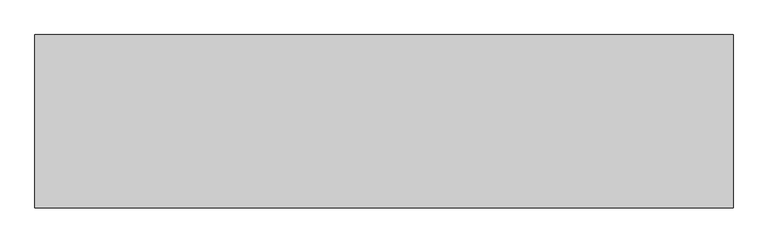
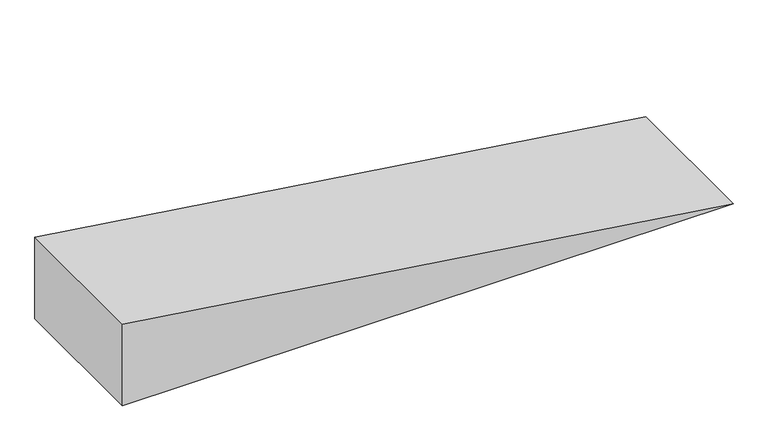
"""IFC4 building model written with IfcOpenShell, lengths in millimetres: ramp geometry."""

from ifc_helpers import new_model, si_unit, frame, origin, place, context, project, spatial, polyline, outline, extrude, source, transform, mapped, element, save


def ramp_721242d4(model_context):
    return source(origin(), model_context, "Body", "SweptSolid", [
        extrude(outline(polyline([(0.0, 12873.1796502), (700.0, 7920.0), (0.0, 7920.0), (0.0, 12873.1796502)])), frame((0.0, -2007.1086819, 0.0), z_axis=(0.0, 1.0, 0.0), x_axis=(0.0, 0.0, 1.0)), (0.0, 0.0, 1.0), 1230.0),
    ])


if __name__ == "__main__":
    model = new_model("IFC4")
    model_context = context("Model", 3, world=origin())
    ifc_project = project(units=[si_unit("LENGTHUNIT", "METRE", prefix="MILLI")], contexts=[model_context])
    site = spatial("IfcSite", under=ifc_project)
    building = spatial("IfcBuilding", under=site)
    placement = place(None, origin())
    ramp_shape = ramp_721242d4(model_context)
    element("IfcRamp", 1, at=placement, inside=building, context=model_context, shape_type="MappedRepresentation", body=[
        mapped(ramp_shape, transform((0.0, 0.0, 0.0), x_axis=(1.0, 0.0, 0.0), y_axis=(0.0, 1.0, 0.0), z_axis=(0.0, 0.0, 1.0))),
    ])
    save(model, "model.ifc")
